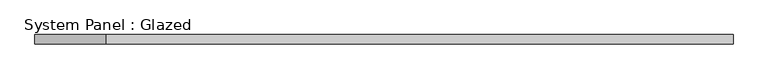
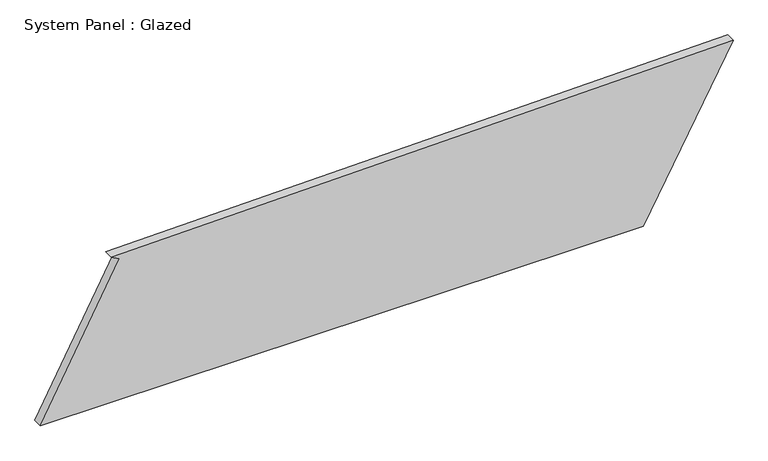
"""IFC4 building model written with IfcOpenShell, lengths in millimetres: plate geometry, System Panel : Glazed."""

from ifc_helpers import new_model, si_unit, frame, origin, place, context, project, spatial, polyline, outline, extrude, source, transform, mapped, element, save


def system_panel_glazed_aa186428(model_context):
    return source(origin(), model_context, "Body", "SweptSolid", [
        extrude(outline(polyline([(0.0, -918.5798607), (0.0, 680.3831478), (437.7802318, 918.5798607), (406.8023342, -730.9490048), (395.08104, -708.8670832), (0.0, -918.5798607)])), frame((0.0, -49.5, 0.0), z_axis=(0.0, 1.0, 0.0), x_axis=(0.0, 0.0, 1.0)), (0.0, 0.0, 1.0), 25.0),
    ])


if __name__ == "__main__":
    model = new_model("IFC4")
    model_context = context("Model", 3, world=origin())
    ifc_project = project(units=[si_unit("LENGTHUNIT", "METRE", prefix="MILLI")], contexts=[model_context])
    site = spatial("IfcSite", under=ifc_project)
    building = spatial("IfcBuilding", under=site)
    placement = place(None, origin())
    system_panel_glazed_shape = system_panel_glazed_aa186428(model_context)
    element("IfcPlate", 1, ObjectType="System Panel : Glazed", at=placement, inside=building, context=model_context, shape_type="MappedRepresentation", body=[
        mapped(system_panel_glazed_shape, transform((0.0, 0.0, 0.0), x_axis=(1.0, 0.0, 0.0), y_axis=(0.0, 1.0, 0.0), z_axis=(0.0, 0.0, 1.0))),
    ])
    save(model, "model.ifc")
